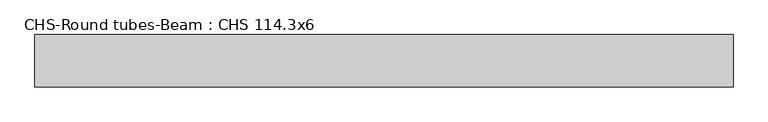
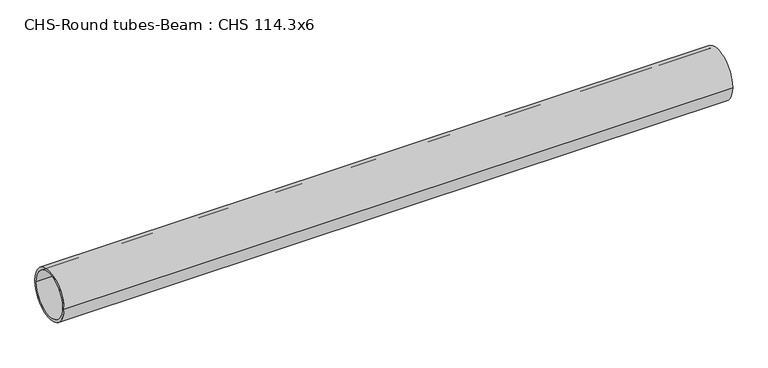
"""IFC4 building model written with IfcOpenShell, lengths in millimetres: beam geometry, CHS-Round tubes-Beam : CHS 114.3x6."""

from ifc_helpers import new_model, si_unit, point, frame, origin, origin_2d, place, context, project, spatial, circle_curve, trimmed, segment, composite_curve, outline, extrude, source, transform, mapped, element, save


def chs_round_tubes_beam_chs_114_3x6_144aab2a(model_context):
    return source(origin(), model_context, "Body", "SweptSolid", [
        extrude(outline(composite_curve([segment(trimmed(circle_curve(origin_2d(), 57.15), [point((57.15, 0.0))], [point((-57.15, 0.0))], False, "CARTESIAN"), True, "CONTINUOUS"), segment(trimmed(circle_curve(origin_2d(), 57.15), [point((-57.15, 0.0))], [point((57.15, 0.0))], False, "CARTESIAN"), True, "CONTINUOUS")], self_intersect=False), holes=[composite_curve([segment(trimmed(circle_curve(origin_2d(), 51.15), [point((51.15, 0.0))], [point((-51.15, 0.0))], True, "CARTESIAN"), True, "CONTINUOUS"), segment(trimmed(circle_curve(origin_2d(), 51.15), [point((-51.15, 0.0))], [point((51.15, 0.0))], True, "CARTESIAN"), True, "CONTINUOUS")], self_intersect=False)]), frame((-746.7641135, 0.0, 0.0), z_axis=(1.0, 0.0, 0.0), x_axis=(0.0, 1.0, 0.0)), (0.0, 0.0, 1.0), 1519.9127176),
    ])


if __name__ == "__main__":
    model = new_model("IFC4")
    model_context = context("Model", 3, world=origin())
    ifc_project = project(units=[si_unit("LENGTHUNIT", "METRE", prefix="MILLI")], contexts=[model_context])
    site = spatial("IfcSite", under=ifc_project)
    building = spatial("IfcBuilding", under=site)
    placement = place(None, origin())
    chs_round_tubes_beam_chs_114_3x6_shape = chs_round_tubes_beam_chs_114_3x6_144aab2a(model_context)
    element("IfcBeam", 1, ObjectType="CHS-Round tubes-Beam : CHS 114.3x6", at=placement, inside=building, context=model_context, shape_type="MappedRepresentation", body=[
        mapped(chs_round_tubes_beam_chs_114_3x6_shape, transform((0.0, 0.0, 0.0), x_axis=(1.0, 0.0, 0.0), y_axis=(0.0, 1.0, 0.0), z_axis=(0.0, 0.0, 1.0))),
    ])
    save(model, "model.ifc")
